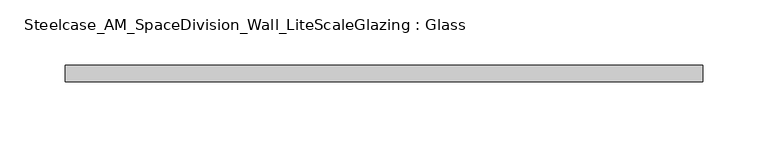
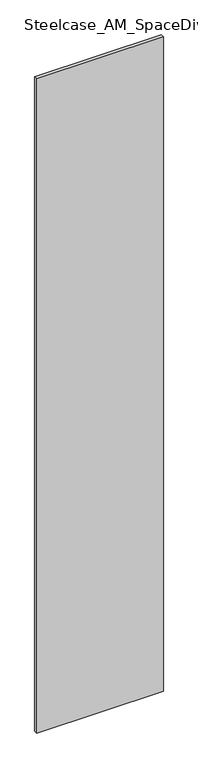
"""IFC4 building model written with IfcOpenShell, lengths in millimetres: plate geometry, Steelcase_AM_SpaceDivision_Wall_LiteScaleGlazing : Glass."""

from ifc_helpers import new_model, si_unit, origin, origin_with_axes, place, context, project, spatial, polyline, outline, extrude, source, transform, mapped, element, save


def steelcase_am_spacedivision_wall_litescaleglazing_glass_8fb3d953(model_context):
    return source(origin(), model_context, "Body", "SweptSolid", [
        extrude(outline(polyline([(-244.2744474, -6.349956), (-244.2744474, 6.3502015), (244.2744474, 6.3502015), (244.2744474, -6.349956), (-244.2744474, -6.349956)])), origin_with_axes(), (0.0, 0.0, 1.0), 2665.984),
    ])


if __name__ == "__main__":
    model = new_model("IFC4")
    model_context = context("Model", 3, world=origin())
    ifc_project = project(units=[si_unit("LENGTHUNIT", "METRE", prefix="MILLI")], contexts=[model_context])
    site = spatial("IfcSite", under=ifc_project)
    building = spatial("IfcBuilding", under=site)
    placement = place(None, origin())
    steelcase_am_spacedivision_wall_litescaleglazing_glass_shape = steelcase_am_spacedivision_wall_litescaleglazing_glass_8fb3d953(model_context)
    element("IfcPlate", 1, ObjectType="Steelcase_AM_SpaceDivision_Wall_LiteScaleGlazing : Glass", at=placement, inside=building, context=model_context, shape_type="MappedRepresentation", body=[
        mapped(steelcase_am_spacedivision_wall_litescaleglazing_glass_shape, transform((0.0, 0.0, 0.0), x_axis=(1.0, 0.0, 0.0), y_axis=(0.0, 1.0, 0.0), z_axis=(0.0, 0.0, 1.0))),
    ])
    save(model, "model.ifc")
